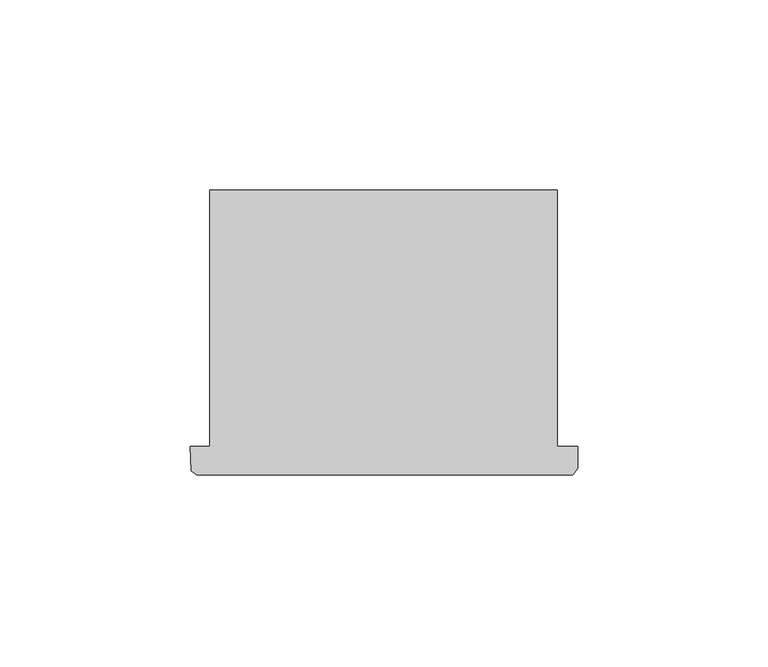
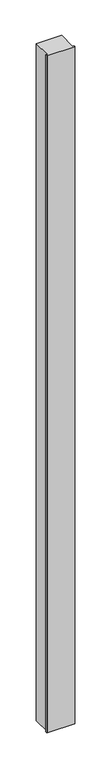
"""IFC4 building model written with IfcOpenShell, lengths in millimetres: column geometry."""

from ifc_helpers import new_model, si_unit, frame, origin, place, context, project, spatial, polyline, outline, extrude, source, transform, mapped, element, save


def column_9a46ad6f(model_context):
    return source(origin(), model_context, "Body", "SweptSolid", [
        extrude(outline(polyline([(84451.8435928, -37818.9690914), (84456.9409664, -37818.9690914), (84456.9409664, -37751.6832722), (84548.1477944, -37751.6832722), (84548.1477944, -37818.9690914), (84553.4435928, -37818.9690914), (84553.4435928, -37824.6648636), (84552.2095592, -37826.4352944), (84453.4993172, -37826.4352944), (84451.9986344, -37825.3563024), (84451.8435928, -37818.9690914)])), frame((0.0, 0.0, 4419.601524), z_axis=(0.0, 0.0, 1.0), x_axis=(1.0, 0.0, 0.0)), (0.0, 0.0, 1.0), 2590.8001847),
        extrude(outline(polyline([(84451.8435928, -37818.9690914), (84456.9409664, -37818.9690914), (84456.9409664, -37751.6832722), (84548.1477944, -37751.6832722), (84548.1477944, -37818.9690914), (84553.4435928, -37818.9690914), (84553.4435928, -37824.6648636), (84552.2095592, -37826.4352944), (84453.4993172, -37826.4352944), (84451.9986344, -37825.3563024), (84451.8435928, -37818.9690914)])), frame((0.0, 0.0, 4419.601524), z_axis=(0.0, 0.0, 1.0), x_axis=(1.0, 0.0, 0.0)), (0.0, 0.0, 1.0), 2590.8001847),
    ])


if __name__ == "__main__":
    model = new_model("IFC4")
    model_context = context("Model", 3, world=origin())
    ifc_project = project(units=[si_unit("LENGTHUNIT", "METRE", prefix="MILLI")], contexts=[model_context])
    site = spatial("IfcSite", under=ifc_project)
    building = spatial("IfcBuilding", under=site)
    placement = place(None, origin())
    column_shape = column_9a46ad6f(model_context)
    element("IfcColumn", 1, at=placement, inside=building, context=model_context, shape_type="MappedRepresentation", body=[
        mapped(column_shape, transform((0.0, 0.0, 0.0), x_axis=(1.0, 0.0, 0.0), y_axis=(0.0, 1.0, 0.0), z_axis=(0.0, 0.0, 1.0))),
    ])
    save(model, "model.ifc")
